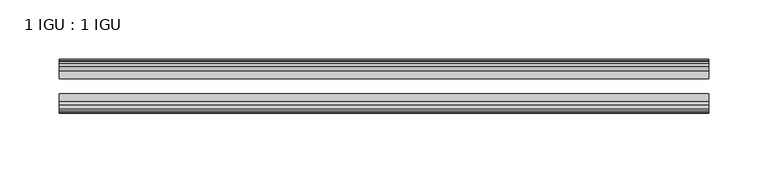
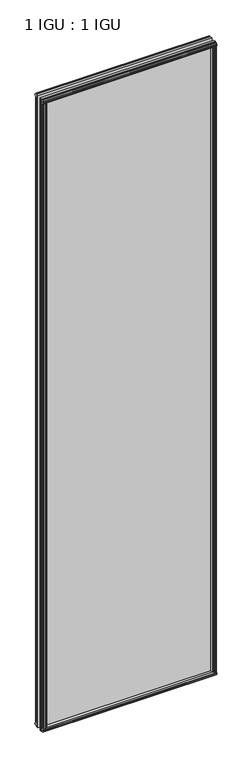
"""IFC4 building model written with IfcOpenShell, lengths in millimetres: plate geometry, 1 IGU : 1 IGU."""

from ifc_helpers import new_model, si_unit, frame, origin, origin_with_axes, place, context, project, spatial, polyline, outline, extrude, source, transform, mapped, element, save


def plate_1_igu_1_igu_0b86c745(model_context):
    return source(origin(), model_context, "Body", "SweptSolid", [
        extrude(outline(polyline([(258.7642137, -19.5460937), (260.8694908, -13.1960937), (266.0766852, -13.1960937), (266.4576852, -10.8158968), (265.0421562, -11.27583), (265.0421562, -10.4746158), (267.2196852, -9.7670937), (269.3972143, -10.4746158), (269.3972143, -11.27583), (267.9816852, -10.8158968), (268.3626852, -13.1960937), (272.8076852, -13.1960937), (272.8076852, -16.1419073), (270.5946077, -19.5460937), (258.7642137, -19.5460937)])), origin_with_axes(), (0.0, 0.0, 1.0), 2070.1),
        extrude(outline(polyline([(-258.7642137, -19.5460937), (-270.5946077, -19.5460937), (-272.8076852, -16.1419073), (-272.8076852, -13.1960937), (-268.3626852, -13.1960937), (-267.9816852, -10.8158968), (-269.3972143, -11.27583), (-269.3972143, -10.4746158), (-267.2196852, -9.7670937), (-265.0421562, -10.4746158), (-265.0421562, -11.27583), (-266.4576852, -10.8158968), (-266.0766852, -13.1960937), (-260.8694908, -13.1960937), (-258.7642137, -19.5460937)])), origin_with_axes(), (0.0, 0.0, 1.0), 2070.1),
        extrude(outline(polyline([(-16.1419073, -12.4576852), (-19.5460937, -10.2446077), (-19.5460937, 1.5857863), (-13.1960937, -0.5194908), (-13.1960937, -5.7266852), (-10.8158968, -6.1076852), (-11.27583, -4.6921562), (-10.4746158, -4.6921562), (-9.7670937, -6.8696852), (-10.4746158, -9.0472143), (-11.27583, -9.0472143), (-10.8158968, -7.6316852), (-13.1960937, -8.0126852), (-13.1960937, -12.4576852), (-16.1419073, -12.4576852)])), frame((-273.05, 0.0, 0.0), z_axis=(1.0, 0.0, 0.0), x_axis=(0.0, 1.0, 0.0)), (0.0, 0.0, 1.0), 546.1),
        extrude(outline(polyline([(-48.3502802, -11.938), (-51.2960937, -11.938), (-51.2960937, -7.493), (-53.6762907, -7.112), (-53.2163575, -8.5275291), (-54.0175717, -8.5275291), (-54.7250937, -6.35), (-54.0175717, -4.172471), (-53.2163575, -4.172471), (-53.6762907, -5.588), (-51.2960937, -5.207), (-51.2960937, 0.0001944), (-44.9460937, 2.1054715), (-44.9460937, -9.7249225), (-48.3502802, -11.938)])), frame((-273.05, 0.0, 0.0), z_axis=(1.0, 0.0, 0.0), x_axis=(0.0, 1.0, 0.0)), (0.0, 0.0, 1.0), 546.1),
        extrude(outline(polyline([(-16.1028367, 2082.5576852), (-13.1960937, 2082.5576852), (-13.1960937, 2078.1126852), (-10.8158968, 2077.7316852), (-11.27583, 2079.1472143), (-10.4746158, 2079.1472143), (-9.7670937, 2076.9696852), (-10.4746158, 2074.7921562), (-11.27583, 2074.7921562), (-10.8158968, 2076.2076852), (-13.1960937, 2075.8266852), (-13.1960937, 2070.5940908), (-19.5460937, 2068.4888137), (-19.5460937, 2080.3192077), (-16.1028367, 2082.5576852)])), frame((-273.05, 0.0, 0.0), z_axis=(1.0, 0.0, 0.0), x_axis=(0.0, 1.0, 0.0)), (0.0, 0.0, 1.0), 546.1),
        extrude(outline(polyline([(-48.3893508, 2082.0126), (-44.9460937, 2079.7741225), (-44.9460937, 2067.9437285), (-51.2960937, 2070.0490056), (-51.2960937, 2075.2816), (-53.6762907, 2075.6626), (-53.2163575, 2074.2470709), (-54.0175717, 2074.2470709), (-54.7250938, 2076.4246), (-54.0175717, 2078.602129), (-53.2163575, 2078.602129), (-53.6762907, 2077.1866), (-51.2960937, 2077.5676), (-51.2960937, 2082.0126), (-48.3893508, 2082.0126)])), frame((-273.05, 0.0, 0.0), z_axis=(1.0, 0.0, 0.0), x_axis=(0.0, 1.0, 0.0)), (0.0, 0.0, 1.0), 546.1),
        extrude(outline(polyline([(-258.2445285, -44.9460938), (-260.3498056, -51.2960938), (-265.557, -51.2960938), (-265.938, -53.6762907), (-264.522471, -53.2163575), (-264.522471, -54.0175717), (-266.7, -54.7250938), (-268.8775291, -54.0175717), (-268.8775291, -53.2163575), (-267.462, -53.6762907), (-267.843, -51.2960938), (-272.288, -51.2960938), (-272.288, -48.3502802), (-270.0749225, -44.9460938), (-258.2445285, -44.9460938)])), origin_with_axes(), (0.0, 0.0, 1.0), 2070.1),
        extrude(outline(polyline([(258.2445285, -44.9460938), (270.0749225, -44.9460938), (272.288, -48.3502802), (272.288, -51.2960938), (267.843, -51.2960938), (267.462, -53.6762907), (268.8775291, -53.2163575), (268.8775291, -54.0175717), (266.7, -54.7250938), (264.522471, -54.0175717), (264.522471, -53.2163575), (265.938, -53.6762907), (265.557, -51.2960938), (260.3498056, -51.2960938), (258.2445285, -44.9460938)])), origin_with_axes(), (0.0, 0.0, 1.0), 2070.1),
        extrude(outline(polyline([(273.05, -19.5460937), (273.05, -25.8337453), (-273.05, -25.8337453), (-273.05, -19.5460937), (273.05, -19.5460937)])), frame((0.0, 0.0, -12.7), z_axis=(0.0, 0.0, 1.0), x_axis=(1.0, 0.0, 0.0)), (0.0, 0.0, 1.0), 2095.4872998),
        extrude(outline(polyline([(-273.05, -44.9460937), (-273.05, -38.6468938), (273.05, -38.6468938), (273.05, -44.9460937), (-273.05, -44.9460937)])), frame((0.0, 0.0, -12.7), z_axis=(0.0, 0.0, 1.0), x_axis=(1.0, 0.0, 0.0)), (0.0, 0.0, 1.0), 2095.4872998),
    ])


if __name__ == "__main__":
    model = new_model("IFC4")
    model_context = context("Model", 3, world=origin())
    ifc_project = project(units=[si_unit("LENGTHUNIT", "METRE", prefix="MILLI")], contexts=[model_context])
    site = spatial("IfcSite", under=ifc_project)
    building = spatial("IfcBuilding", under=site)
    placement = place(None, origin())
    plate_1_igu_1_igu_shape = plate_1_igu_1_igu_0b86c745(model_context)
    element("IfcPlate", 1, ObjectType="1 IGU : 1 IGU", at=placement, inside=building, context=model_context, shape_type="MappedRepresentation", body=[
        mapped(plate_1_igu_1_igu_shape, transform((0.0, 0.0, 0.0), x_axis=(1.0, 0.0, 0.0), y_axis=(0.0, 1.0, 0.0), z_axis=(0.0, 0.0, 1.0))),
    ])
    save(model, "model.ifc")
